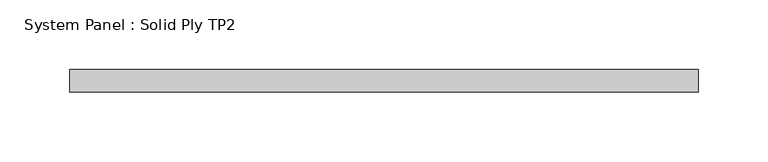
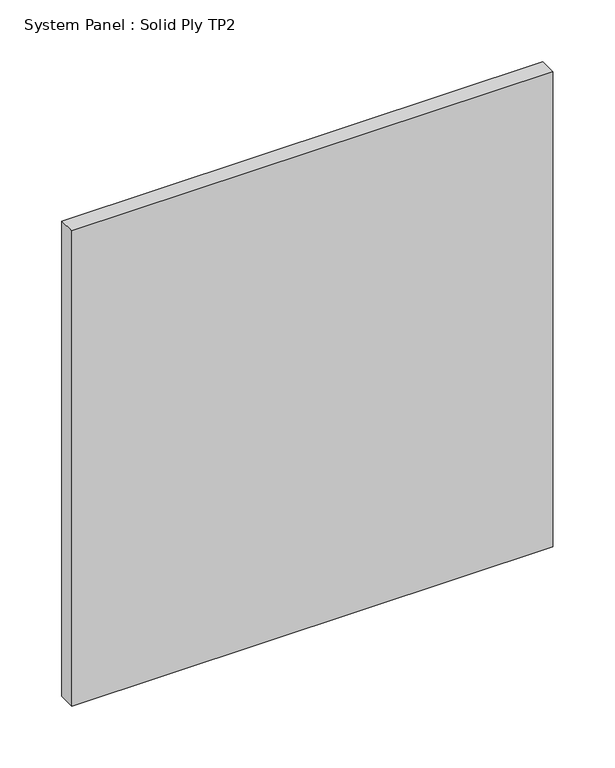
"""IFC4 building model written with IfcOpenShell, lengths in millimetres: plate geometry, System Panel : Solid Ply TP2."""

from ifc_helpers import new_model, si_unit, origin, origin_with_axes, place, context, project, spatial, polyline, outline, extrude, source, transform, mapped, element, save


def system_panel_solid_ply_tp2_8a1fb246(model_context):
    return source(origin(), model_context, "Body", "SweptSolid", [
        extrude(outline(polyline([(225.0014715, -23.0), (-225.0014715, -23.0), (-225.0014715, -7.0), (225.0014715, -7.0), (225.0014715, -23.0)])), origin_with_axes(), (0.0, 0.0, 1.0), 470.0),
    ])


if __name__ == "__main__":
    model = new_model("IFC4")
    model_context = context("Model", 3, world=origin())
    ifc_project = project(units=[si_unit("LENGTHUNIT", "METRE", prefix="MILLI")], contexts=[model_context])
    site = spatial("IfcSite", under=ifc_project)
    building = spatial("IfcBuilding", under=site)
    placement = place(None, origin())
    system_panel_solid_ply_tp2_shape = system_panel_solid_ply_tp2_8a1fb246(model_context)
    element("IfcPlate", 1, ObjectType="System Panel : Solid Ply TP2", at=placement, inside=building, context=model_context, shape_type="MappedRepresentation", body=[
        mapped(system_panel_solid_ply_tp2_shape, transform((0.0, 0.0, 0.0), x_axis=(1.0, 0.0, 0.0), y_axis=(0.0, 1.0, 0.0), z_axis=(0.0, 0.0, 1.0))),
    ])
    save(model, "model.ifc")
